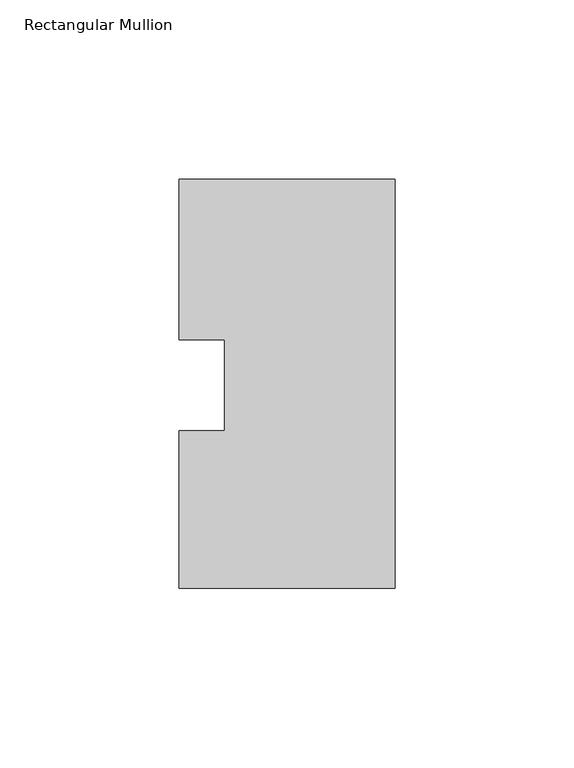
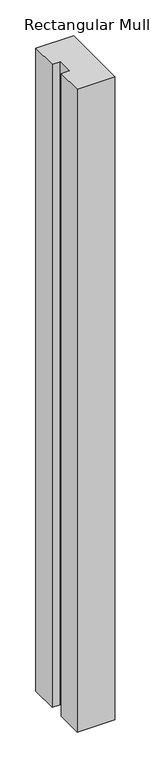
"""IFC4 building model written with IfcOpenShell, lengths in millimetres: member geometry, Rectangular Mullion."""

from ifc_helpers import new_model, si_unit, frame, origin, place, context, project, spatial, polyline, outline, extrude, source, transform, mapped, element, save


def rectangular_mullion_8e935ad6(model_context):
    return source(origin(), model_context, "Body", "SweptSolid", [
        extrude(outline(polyline([(-60.325, 57.546875), (0.0, 57.546875), (0.0, -56.753125), (-60.325, -56.753125), (-60.325, -12.7), (-47.6232296, -12.7), (-47.6232296, 12.7), (-60.325, 12.7), (-60.325, 57.546875)])), frame((0.0, 0.0, -1091.0405973), z_axis=(0.0, 0.0, 1.0), x_axis=(1.0, 0.0, 0.0)), (0.0, 0.0, 1.0), 1091.0405973),
    ])


if __name__ == "__main__":
    model = new_model("IFC4")
    model_context = context("Model", 3, world=origin())
    ifc_project = project(units=[si_unit("LENGTHUNIT", "METRE", prefix="MILLI")], contexts=[model_context])
    site = spatial("IfcSite", under=ifc_project)
    building = spatial("IfcBuilding", under=site)
    placement = place(None, origin())
    rectangular_mullion_shape = rectangular_mullion_8e935ad6(model_context)
    element("IfcMember", 1, ObjectType="Rectangular Mullion", at=placement, inside=building, context=model_context, shape_type="MappedRepresentation", body=[
        mapped(rectangular_mullion_shape, transform((0.0, 0.0, 0.0), x_axis=(1.0, 0.0, 0.0), y_axis=(0.0, 1.0, 0.0), z_axis=(0.0, 0.0, 1.0))),
    ])
    save(model, "model.ifc")
